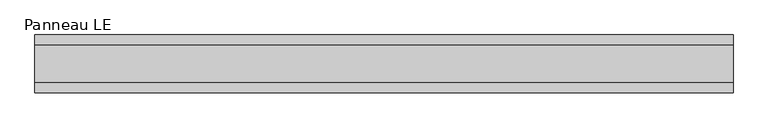
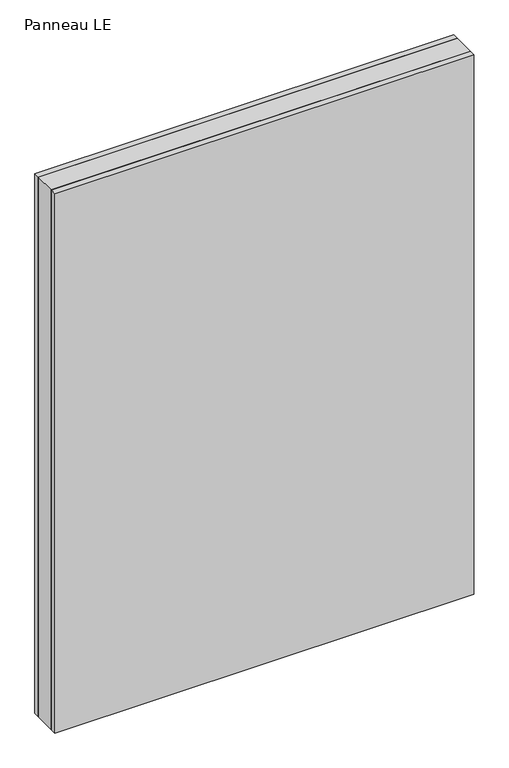
"""IFC4 building model written with IfcOpenShell, lengths in millimetres: plate geometry, Panneau LE."""

import ifcopenshell
import ifcopenshell.guid

model = None  # the IFC model being written
_history = None  # IfcOwnerHistory: only IFC2X3 demands one
_inside = {}  # id of a spatial element -> (the spatial element, [elements in it])
_under = {}  # id of a project, library or spatial element -> (it, [spatial elements below it])
_declared = {}  # id of a project -> (the project, [libraries it declares])
_typed = {}  # id of a type object -> (the type object, [elements of that type])
_made_of = {}  # id of a material, layer set ... -> (it, [elements and type objects made of it])


def new_model(schema):
    """Start an empty IFC model of exactly this schema.

    Asked for "IFC4X3", IfcOpenShell would pick the latest addendum, in which some entities
    have other attributes; the version numbers below select the first issue.
    IFC2X3 requires an IfcOwnerHistory on every rooted entity: one is made here for all.
    """
    global model, _history
    if schema == "IFC4X3":
        model = ifcopenshell.file(schema_version=(4, 3, 0, 0))
    else:
        model = ifcopenshell.file(schema=schema)
    _inside.clear()
    _under.clear()
    _declared.clear()
    _typed.clear()
    _made_of.clear()
    _history = None
    if model.schema == "IFC2X3":
        org = make("IfcOrganization", Name="unknown")
        user = make(
            "IfcPersonAndOrganization",
            ThePerson=make("IfcPerson", FamilyName="unknown"),
            TheOrganization=org,
        )
        app = make(
            "IfcApplication",
            ApplicationDeveloper=org,
            Version="unknown",
            ApplicationFullName="unknown",
            ApplicationIdentifier="unknown",
        )
        _history = make(
            "IfcOwnerHistory",
            OwningUser=user,
            OwningApplication=app,
            ChangeAction="ADDED",
            CreationDate=0,
        )
    return model


def make(cls, **values):
    """One entity of the class cls with the attributes given. An attribute that is None is left unset."""
    return model.create_entity(
        cls, **{name: value for name, value in values.items() if value is not None}
    )


def rooted(cls, **values):
    """An entity with a GlobalId (a new one), such as an element, a storey or a relation."""
    return make(cls, GlobalId=ifcopenshell.guid.new(), OwnerHistory=_history, **values)


def si_unit(unit_type, name, prefix=None):
    """IfcSIUnit, for example si_unit("LENGTHUNIT", "METRE", prefix="MILLI")."""
    return make("IfcSIUnit", UnitType=unit_type, Prefix=prefix, Name=name)


def assignment(units):
    """IfcUnitAssignment: the units of a project."""
    return None if units is None else make("IfcUnitAssignment", Units=units)


def point(xyz):
    """IfcCartesianPoint."""
    return None if xyz is None else make("IfcCartesianPoint", Coordinates=xyz)


def direction(xyz):
    """IfcDirection."""
    return None if xyz is None else make("IfcDirection", DirectionRatios=xyz)


def frame(location, z_axis=None, x_axis=None):
    """IfcAxis2Placement3D, a coordinate frame: its origin and axes. An axis left out is left unset."""
    return make(
        "IfcAxis2Placement3D",
        Location=point(location),
        Axis=direction(z_axis),
        RefDirection=direction(x_axis),
    )


def origin():
    """The frame at (0, 0, 0) with its axes left unset."""
    return frame((0.0, 0.0, 0.0))


def origin_with_axes():
    """The frame at (0, 0, 0) with the z axis (0, 0, 1) and the x axis (1, 0, 0) written out."""
    return frame((0.0, 0.0, 0.0), z_axis=(0.0, 0.0, 1.0), x_axis=(1.0, 0.0, 0.0))


def place(relative_to, where):
    """IfcLocalPlacement: puts the frame where relative to a parent placement (None: the world)."""
    return make(
        "IfcLocalPlacement", PlacementRelTo=relative_to, RelativePlacement=where
    )


def context(
    kind, dimensions, precision=None, world=None, true_north=None, identifier=None
):
    """IfcGeometricRepresentationContext, for example the 3D "Model" context."""
    return make(
        "IfcGeometricRepresentationContext",
        ContextIdentifier=identifier,
        ContextType=kind,
        CoordinateSpaceDimension=dimensions,
        Precision=precision,
        WorldCoordinateSystem=world,
        TrueNorth=true_north,
    )


def project(units=None, contexts=None):
    """IfcProject with its units and contexts."""
    return rooted(
        "IfcProject",
        Name="project",
        RepresentationContexts=contexts,
        UnitsInContext=assignment(units),
    )


def spatial(cls, under=None, at=None, **own):
    """A site, building, storey or space (cls), placed at a placement, below another one or the project."""
    s = rooted(cls, ObjectPlacement=at, **own)
    if under is not None:
        _under.setdefault(under.id(), (under, []))[1].append(s)
    return s


def polyline(points):
    """IfcPolyline through the points."""
    return make("IfcPolyline", Points=[point(p) for p in points])


def outline(outer, holes=None, kind="AREA"):
    """IfcArbitraryClosedProfileDef: a profile drawn as a closed curve; with holes, ...WithVoids."""
    if holes is None:
        return make("IfcArbitraryClosedProfileDef", ProfileType=kind, OuterCurve=outer)
    return make(
        "IfcArbitraryProfileDefWithVoids",
        ProfileType=kind,
        OuterCurve=outer,
        InnerCurves=holes,
    )


def extrude(swept, where, along, depth):
    """IfcExtrudedAreaSolid: the profile swept, set in the frame where, extruded along a direction by depth."""
    return make(
        "IfcExtrudedAreaSolid",
        SweptArea=swept,
        Position=where,
        ExtrudedDirection=direction(along),
        Depth=depth,
    )


def shape(context_of_items, identifier, shape_type, items):
    """IfcShapeRepresentation: the items that make up one representation, for example the "Body"."""
    return make(
        "IfcShapeRepresentation",
        ContextOfItems=context_of_items,
        RepresentationIdentifier=identifier,
        RepresentationType=shape_type,
        Items=items,
    )


def source(mapping_origin, context_of_items, identifier, shape_type, items):
    """IfcRepresentationMap: a shape defined once, which mapped items show again and again."""
    return make(
        "IfcRepresentationMap",
        MappingOrigin=mapping_origin,
        MappedRepresentation=shape(context_of_items, identifier, shape_type, items),
    )


def transform(
    local_origin,
    x_axis=None,
    y_axis=None,
    z_axis=None,
    scale=None,
    scale2=None,
    scale3=None,
    uniform=True,
):
    """IfcCartesianTransformationOperator3D, or its non-uniform kind. x_axis, y_axis, z_axis: its Axis1, 2, 3."""
    if uniform:
        return make(
            "IfcCartesianTransformationOperator3D",
            Axis1=direction(x_axis),
            Axis2=direction(y_axis),
            LocalOrigin=point(local_origin),
            Scale=scale,
            Axis3=direction(z_axis),
        )
    return make(
        "IfcCartesianTransformationOperator3DnonUniform",
        Axis1=direction(x_axis),
        Axis2=direction(y_axis),
        LocalOrigin=point(local_origin),
        Scale=scale,
        Axis3=direction(z_axis),
        Scale2=scale2,
        Scale3=scale3,
    )


def mapped(mapping_source, mapping_target):
    """IfcMappedItem: shows the shape of a source again, moved by a transform."""
    return make(
        "IfcMappedItem", MappingSource=mapping_source, MappingTarget=mapping_target
    )


def made_of(thing, what):
    """Note that an element or type object is made of a material, layer set ...; save() writes the relation."""
    if what is not None:
        _made_of.setdefault(what.id(), (what, []))[1].append(thing)
    return thing


def element(
    cls,
    number,
    at=None,
    inside=None,
    cuts=None,
    type_object=None,
    material=None,
    context=None,
    identifier="Body",
    shape_type=None,
    held_by="IfcProductDefinitionShape",
    body=None,
    shapes=None,
    **own,
):
    """One element of the class cls, such as IfcWall. Its Tag is "e" and its number.

    at: its placement. inside: the storey or other place that contains it. cuts: it is an
    opening in that element (IfcRelVoidsElement). A single representation is given by context,
    identifier, shape_type and body (its items); several are given by shapes. held_by: the class
    of the entity that holds the representations. save() writes the other relations.
    """
    e = rooted(cls, Tag="e%d" % number, ObjectPlacement=at, **own)
    if body is not None:
        shapes = [shape(context, identifier, shape_type, body)]
    if shapes is not None:
        e.Representation = make(held_by, Representations=shapes)
    if inside is not None:
        _inside.setdefault(inside.id(), (inside, []))[1].append(e)
    if cuts is not None:
        rooted(
            "IfcRelVoidsElement", RelatingBuildingElement=cuts, RelatedOpeningElement=e
        )
    if type_object is not None:
        _typed.setdefault(type_object.id(), (type_object, []))[1].append(e)
    return made_of(e, material)


def aggregate(whole, parts):
    """IfcRelAggregates: a whole, such as a stair, and the parts it consists of."""
    return rooted("IfcRelAggregates", RelatingObject=whole, RelatedObjects=parts)


def save(model, path):
    """Write the relations noted so far, then the file.

    IfcRelAggregates (storeys below a building ...), IfcRelContainedInSpatialStructure (elements
    in a storey), IfcRelDefinesByType, IfcRelAssociatesMaterial and IfcRelDeclares: one each for
    every whole, place, type object, material and project.
    """
    for whole, parts in _under.values():
        aggregate(whole, parts)
    for where, things in _inside.values():
        rooted(
            "IfcRelContainedInSpatialStructure",
            RelatedElements=things,
            RelatingStructure=where,
        )
    for kind, things in _typed.values():
        rooted("IfcRelDefinesByType", RelatedObjects=things, RelatingType=kind)
    for what, things in _made_of.values():
        rooted("IfcRelAssociatesMaterial", RelatedObjects=things, RelatingMaterial=what)
    for by, libraries in _declared.values():
        rooted("IfcRelDeclares", RelatingContext=by, RelatedDefinitions=libraries)
    model.write(path)


def panneau_le_bf870b0c(model_context):
    return source(origin(), model_context, "Body", "SweptSolid", [
        extrude(outline(polyline([(544.8749999, 29.0), (544.8749999, -29.0), (-544.8749999, -29.0), (-544.8749999, 29.0), (544.8749999, 29.0)])), origin_with_axes(), (0.0, 0.0, 1.0), 1483.5),
        extrude(outline(polyline([(544.8749999, 45.0), (544.8749999, 29.0), (-544.8749999, 29.0), (-544.8749999, 45.0), (544.8749999, 45.0)])), origin_with_axes(), (0.0, 0.0, 1.0), 1483.5),
        extrude(outline(polyline([(-544.8749999, -45.0), (-544.8749999, -29.0), (544.8749999, -29.0), (544.8749999, -45.0), (-544.8749999, -45.0)])), origin_with_axes(), (0.0, 0.0, 1.0), 1483.5),
    ])


if __name__ == "__main__":
    model = new_model("IFC4")
    model_context = context("Model", 3, world=origin())
    ifc_project = project(units=[si_unit("LENGTHUNIT", "METRE", prefix="MILLI")], contexts=[model_context])
    site = spatial("IfcSite", under=ifc_project)
    building = spatial("IfcBuilding", under=site)
    placement = place(None, origin())
    panneau_le_shape = panneau_le_bf870b0c(model_context)
    element("IfcPlate", 1, ObjectType="Panneau LE", at=placement, inside=building, context=model_context, shape_type="MappedRepresentation", body=[
        mapped(panneau_le_shape, transform((0.0, 0.0, 0.0), x_axis=(1.0, 0.0, 0.0), y_axis=(0.0, 1.0, 0.0), z_axis=(0.0, 0.0, 1.0))),
    ])
    save(model, "model.ifc")
